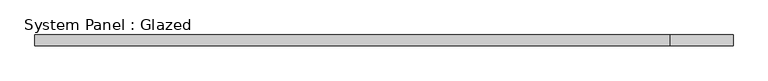
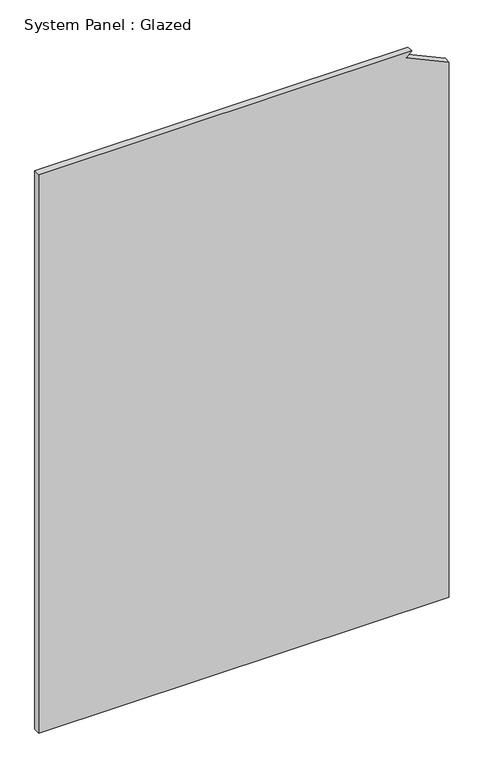
"""IFC4 building model written with IfcOpenShell, lengths in millimetres: plate geometry, System Panel : Glazed."""

from ifc_helpers import new_model, si_unit, frame, origin, place, context, project, spatial, polyline, outline, extrude, source, transform, mapped, element, save


def system_panel_glazed_f1ce87b5(model_context):
    return source(origin(), model_context, "Body", "SweptSolid", [
        extrude(outline(polyline([(0.0, -808.6842105), (0.0, 808.6842105), (2226.9574232, 808.6842105), (2304.6428766, 641.2226759), (2325.0, 662.2638583), (2325.0, -808.6842105), (0.0, -808.6842105)])), frame((0.0, 52.5, 0.0), z_axis=(0.0, 1.0, 0.0), x_axis=(0.0, 0.0, 1.0)), (0.0, 0.0, 1.0), 25.0),
    ])


if __name__ == "__main__":
    model = new_model("IFC4")
    model_context = context("Model", 3, world=origin())
    ifc_project = project(units=[si_unit("LENGTHUNIT", "METRE", prefix="MILLI")], contexts=[model_context])
    site = spatial("IfcSite", under=ifc_project)
    building = spatial("IfcBuilding", under=site)
    placement = place(None, origin())
    system_panel_glazed_shape = system_panel_glazed_f1ce87b5(model_context)
    element("IfcPlate", 1, ObjectType="System Panel : Glazed", at=placement, inside=building, context=model_context, shape_type="MappedRepresentation", body=[
        mapped(system_panel_glazed_shape, transform((0.0, 0.0, 0.0), x_axis=(1.0, 0.0, 0.0), y_axis=(0.0, 1.0, 0.0), z_axis=(0.0, 0.0, 1.0))),
    ])
    save(model, "model.ifc")
